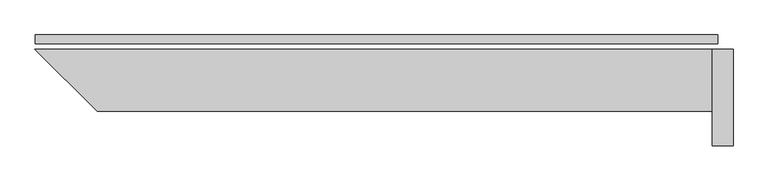
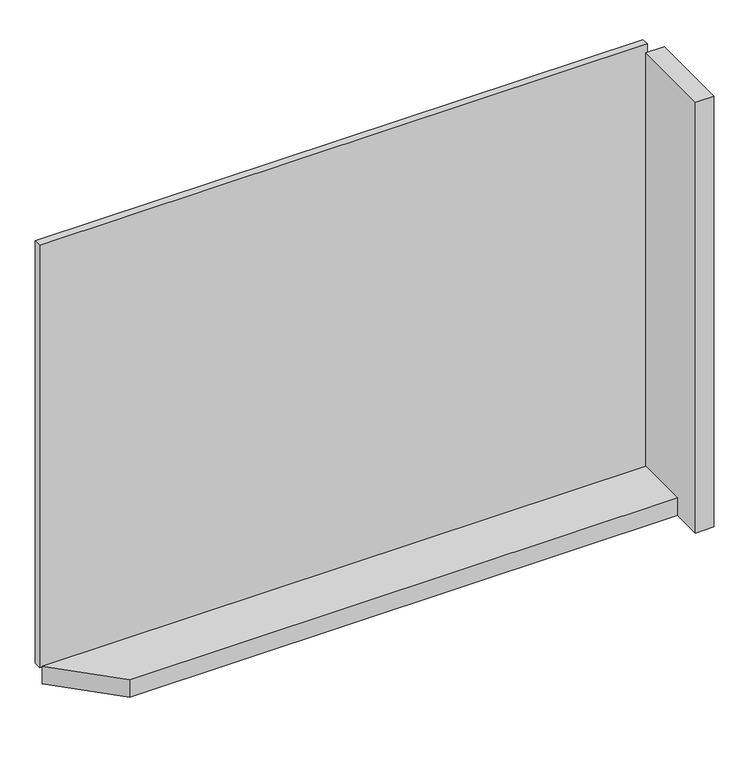
"""IFC4 building model written with IfcOpenShell, lengths in millimetres: plate geometry."""

from ifc_helpers import new_model, si_unit, frame, origin, origin_with_axes, place, context, project, spatial, polyline, outline, extrude, source, transform, mapped, element, save


def plate_41e62444(model_context):
    return source(origin(), model_context, "Body", "SweptSolid", [
        extrude(outline(polyline([(986.5, 0.0), (986.5, -25.0), (-986.5, -25.0), (-986.5, 0.0), (986.5, 0.0)])), origin_with_axes(), (0.0, 0.0, 1.0), 1447.534293),
        extrude(outline(polyline([(971.5, -221.0), (-807.0735931, -221.0), (-987.0735931, -41.0), (971.5, -41.0), (971.5, -221.0)])), frame((0.0, 0.0, -45.0), z_axis=(0.0, 0.0, 1.0), x_axis=(1.0, 0.0, 0.0)), (0.0, 0.0, 1.0), 60.0),
        extrude(outline(polyline([(1031.5, -41.0), (1031.5, -321.0), (971.5, -321.0), (971.5, -41.0), (1031.5, -41.0)])), frame((0.0, 0.0, -45.0), z_axis=(0.0, 0.0, 1.0), x_axis=(1.0, 0.0, 0.0)), (0.0, 0.0, 1.0), 1477.534293),
    ])


if __name__ == "__main__":
    model = new_model("IFC4")
    model_context = context("Model", 3, world=origin())
    ifc_project = project(units=[si_unit("LENGTHUNIT", "METRE", prefix="MILLI")], contexts=[model_context])
    site = spatial("IfcSite", under=ifc_project)
    building = spatial("IfcBuilding", under=site)
    placement = place(None, origin())
    plate_shape = plate_41e62444(model_context)
    element("IfcPlate", 1, at=placement, inside=building, context=model_context, shape_type="MappedRepresentation", body=[
        mapped(plate_shape, transform((0.0, 0.0, 0.0), x_axis=(1.0, 0.0, 0.0), y_axis=(0.0, 1.0, 0.0), z_axis=(0.0, 0.0, 1.0))),
    ])
    save(model, "model.ifc")
